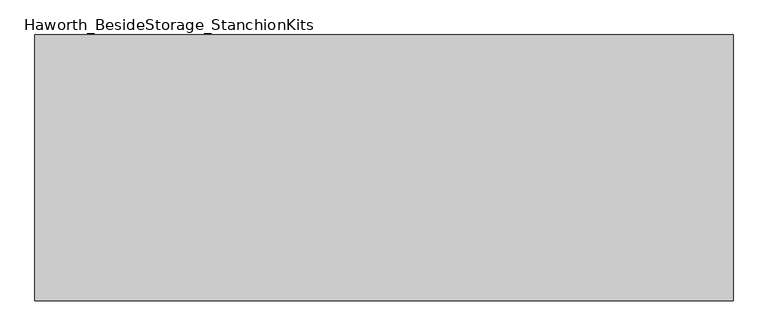
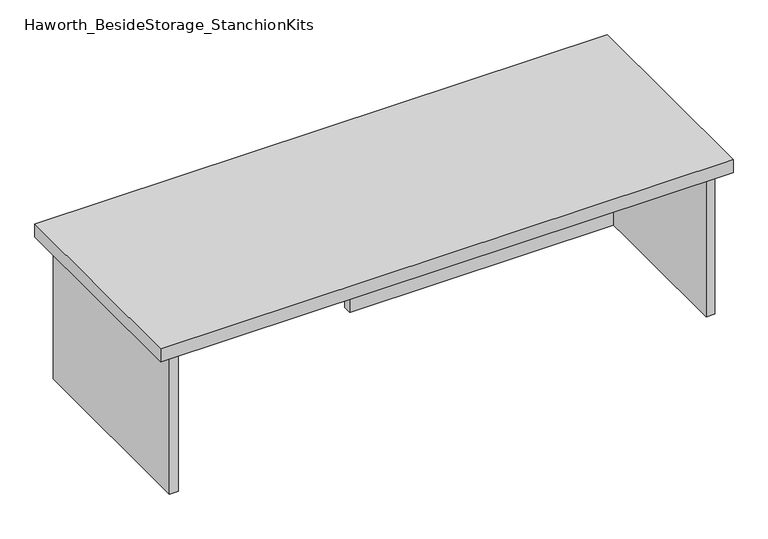
"""IFC4 building model written with IfcOpenShell, lengths in millimetres: furniture geometry, Haworth_BesideStorage_StanchionKits."""

from ifc_helpers import new_model, si_unit, frame, origin, place, context, project, spatial, polyline, outline, extrude, source, transform, mapped, element, save


def haworth_besidestorage_stanchionkits_032ce71b(model_context):
    return source(origin(), model_context, "Body", "SweptSolid", [
        extrude(outline(polyline([(695.325, 0.0), (695.325, -406.4), (-371.475, -406.4), (-371.475, 0.0), (695.325, 0.0)])), frame((0.0, 0.0, 711.2), z_axis=(0.0, 0.0, 1.0), x_axis=(1.0, 0.0, 0.0)), (0.0, 0.0, 1.0), 25.4),
        extrude(outline(polyline([(161.925, -76.2), (654.05, -76.2), (654.05, -92.075), (161.925, -92.075), (161.925, -76.2)])), frame((0.0, 0.0, 431.8), z_axis=(0.0, 0.0, 1.0), x_axis=(1.0, 0.0, 0.0)), (0.0, 0.0, 1.0), 279.4),
        extrude(outline(polyline([(669.925, -390.525), (654.05, -390.525), (654.05, -15.875), (669.925, -15.875), (669.925, -390.525)])), frame((0.0, 0.0, 431.8), z_axis=(0.0, 0.0, 1.0), x_axis=(1.0, 0.0, 0.0)), (0.0, 0.0, 1.0), 279.4),
        extrude(outline(polyline([(-330.2, -390.525), (-346.075, -390.525), (-346.075, -15.875), (-330.2, -15.875), (-330.2, -390.525)])), frame((0.0, 0.0, 431.8), z_axis=(0.0, 0.0, 1.0), x_axis=(1.0, 0.0, 0.0)), (0.0, 0.0, 1.0), 279.4),
    ])


if __name__ == "__main__":
    model = new_model("IFC4")
    model_context = context("Model", 3, world=origin())
    ifc_project = project(units=[si_unit("LENGTHUNIT", "METRE", prefix="MILLI")], contexts=[model_context])
    site = spatial("IfcSite", under=ifc_project)
    building = spatial("IfcBuilding", under=site)
    placement = place(None, origin())
    haworth_besidestorage_stanchionkits_shape = haworth_besidestorage_stanchionkits_032ce71b(model_context)
    element("IfcFurniture", 1, ObjectType="Haworth_BesideStorage_StanchionKits", at=placement, inside=building, context=model_context, shape_type="MappedRepresentation", body=[
        mapped(haworth_besidestorage_stanchionkits_shape, transform((0.0, 0.0, 0.0), x_axis=(1.0, 0.0, 0.0), y_axis=(0.0, 1.0, 0.0), z_axis=(0.0, 0.0, 1.0))),
    ])
    save(model, "model.ifc")
